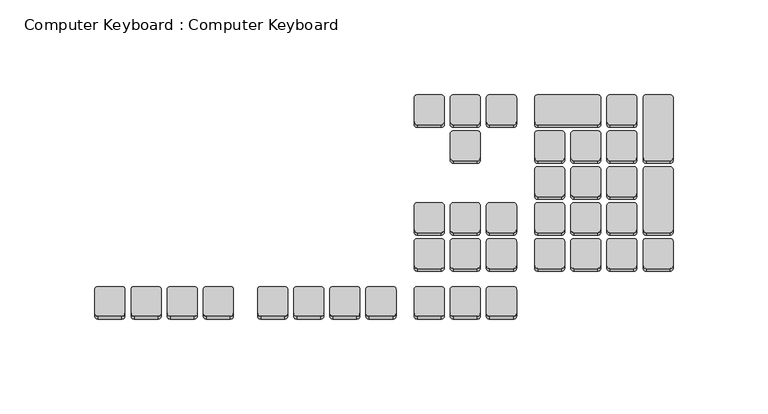
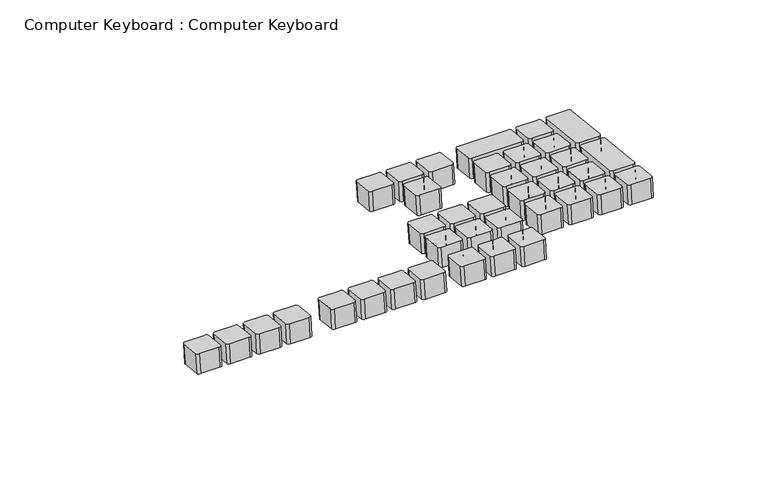
"""IFC4 building model written with IfcOpenShell, lengths in millimetres: proxy geometry, Computer Keyboard : Computer Keyboard."""

from ifc_helpers import new_model, si_unit, point, frame, frame_2d, origin, place, context, project, spatial, polyline, circle_curve, trimmed, segment, composite_curve, outline, extrude, source, transform, mapped, element, save


def computer_keyboard_computer_keyboard_a8260d69(model_context):
    return source(origin(), model_context, "Body", "SweptSolid", [
        extrude(outline(composite_curve([segment(polyline([(-1.5874999, 1.5875), (-1.5874999, 14.2875)]), True, "CONTINUOUS"), segment(trimmed(circle_curve(frame_2d((0.0, 14.2875)), 1.5875), [point((-1.5874999, 14.2875))], [point((0.0, 15.875))], False, "CARTESIAN"), True, "CONTINUOUS"), segment(polyline([(0.0, 15.875), (12.7, 15.875)]), True, "CONTINUOUS"), segment(trimmed(circle_curve(frame_2d((12.7, 14.2875)), 1.5875), [point((12.7, 15.875))], [point((14.2875001, 14.2875))], False, "CARTESIAN"), True, "CONTINUOUS"), segment(polyline([(14.2875001, 14.2875), (14.2875001, 1.5875)]), True, "CONTINUOUS"), segment(trimmed(circle_curve(frame_2d((12.7, 1.5875)), 1.5875), [point((14.2875001, 1.5875))], [point((12.7, 0.0))], False, "CARTESIAN"), True, "CONTINUOUS"), segment(polyline([(12.7, 0.0), (0.0, 0.0)]), True, "CONTINUOUS"), segment(trimmed(circle_curve(frame_2d((0.0, 1.5875)), 1.5875), [point((0.0, 0.0))], [point((-1.5874999, 1.5875))], False, "CARTESIAN"), True, "CONTINUOUS")], self_intersect=False)), frame((57.7625, 328.0834043, 582.7832916), z_axis=(0.0, 0.10653312363427676, 0.9943091539198078), x_axis=(0.0, 0.9943091539198078, -0.10653312363427676)), (0.0, 0.0, 1.0), 12.7),
        extrude(outline(composite_curve([segment(polyline([(-1.5874999, 1.5875), (-1.5874999, 33.3375)]), True, "CONTINUOUS"), segment(trimmed(circle_curve(frame_2d((0.0, 33.3375)), 1.5875), [point((-1.5874999, 33.3375))], [point((0.0, 34.925))], False, "CARTESIAN"), True, "CONTINUOUS"), segment(polyline([(0.0, 34.925), (12.7, 34.925)]), True, "CONTINUOUS"), segment(trimmed(circle_curve(frame_2d((12.7, 33.3375)), 1.5875), [point((12.7, 34.925))], [point((14.2875001, 33.3375))], False, "CARTESIAN"), True, "CONTINUOUS"), segment(polyline([(14.2875001, 33.3375), (14.2875001, 1.5875)]), True, "CONTINUOUS"), segment(trimmed(circle_curve(frame_2d((12.7, 1.5875)), 1.5875), [point((14.2875001, 1.5875))], [point((12.7, 0.0))], False, "CARTESIAN"), True, "CONTINUOUS"), segment(polyline([(12.7, 0.0), (0.0, 0.0)]), True, "CONTINUOUS"), segment(trimmed(circle_curve(frame_2d((0.0, 1.5875)), 1.5875), [point((0.0, 0.0))], [point((-1.5874999, 1.5875))], False, "CARTESIAN"), True, "CONTINUOUS")], self_intersect=False)), frame((38.7125, 328.0834043, 582.7832916), z_axis=(0.0, 0.10653312363427676, 0.9943091539198078), x_axis=(0.0, 0.9943091539198078, -0.10653312363427676)), (0.0, 0.0, 1.0), 12.7),
        extrude(outline(composite_curve([segment(polyline([(-1.5875, 1.5875), (-1.5875, 14.2875)]), True, "CONTINUOUS"), segment(trimmed(circle_curve(frame_2d((0.0, 14.2875)), 1.5875), [point((-1.5875, 14.2875))], [point((0.0, 15.875))], False, "CARTESIAN"), True, "CONTINUOUS"), segment(polyline([(0.0, 15.875), (31.75, 15.875)]), True, "CONTINUOUS"), segment(trimmed(circle_curve(frame_2d((31.75, 14.2875)), 1.5875), [point((31.75, 15.875))], [point((33.3375, 14.2875))], False, "CARTESIAN"), True, "CONTINUOUS"), segment(polyline([(33.3375, 14.2875), (33.3375, 1.5875)]), True, "CONTINUOUS"), segment(trimmed(circle_curve(frame_2d((31.75, 1.5875)), 1.5875), [point((33.3375, 1.5875))], [point((31.75, 0.0))], False, "CARTESIAN"), True, "CONTINUOUS"), segment(polyline([(31.75, 0.0), (0.0, 0.0)]), True, "CONTINUOUS"), segment(trimmed(circle_curve(frame_2d((0.0, 1.5875)), 1.5875), [point((0.0, 0.0))], [point((-1.5875, 1.5875))], False, "CARTESIAN"), True, "CONTINUOUS")], self_intersect=False)), frame((76.8125, 309.124904, 584.8145594), z_axis=(0.0, 0.10653312363427676, 0.9943091539198078), x_axis=(0.0, 0.9943091539198078, -0.10653312363427676)), (0.0, 0.0, 1.0), 12.7),
        extrude(outline(composite_curve([segment(polyline([(-1.5875, 1.5875), (-1.5875, 14.2875)]), True, "CONTINUOUS"), segment(trimmed(circle_curve(frame_2d((0.0, 14.2875)), 1.5875), [point((-1.5875, 14.2875))], [point((0.0, 15.875))], False, "CARTESIAN"), True, "CONTINUOUS"), segment(polyline([(0.0, 15.875), (12.6999999, 15.875)]), True, "CONTINUOUS"), segment(trimmed(circle_curve(frame_2d((12.6999999, 14.2875)), 1.5875), [point((12.6999999, 15.875))], [point((14.2875, 14.2875))], False, "CARTESIAN"), True, "CONTINUOUS"), segment(polyline([(14.2875, 14.2875), (14.2875, 1.5875)]), True, "CONTINUOUS"), segment(trimmed(circle_curve(frame_2d((12.6999999, 1.5875)), 1.5875), [point((14.2875, 1.5875))], [point((12.6999999, 0.0))], False, "CARTESIAN"), True, "CONTINUOUS"), segment(polyline([(12.6999999, 0.0), (0.0, 0.0)]), True, "CONTINUOUS"), segment(trimmed(circle_curve(frame_2d((0.0, 1.5875)), 1.5875), [point((0.0, 0.0))], [point((-1.5875, 1.5875))], False, "CARTESIAN"), True, "CONTINUOUS")], self_intersect=False)), frame((57.7625, 309.141815, 584.8127476), z_axis=(0.0, 0.10653312363427676, 0.9943091539198078), x_axis=(0.0, 0.9943091539198078, -0.10653312363427676)), (0.0, 0.0, 1.0), 12.7),
        extrude(outline(composite_curve([segment(polyline([(-1.5875, 1.5875), (-1.5875, 14.2875)]), True, "CONTINUOUS"), segment(trimmed(circle_curve(frame_2d((0.0, 14.2875)), 1.5875), [point((-1.5875, 14.2875))], [point((0.0, 15.875))], False, "CARTESIAN"), True, "CONTINUOUS"), segment(polyline([(0.0, 15.875), (12.6999999, 15.875)]), True, "CONTINUOUS"), segment(trimmed(circle_curve(frame_2d((12.6999999, 14.2875)), 1.5875), [point((12.6999999, 15.875))], [point((14.2875, 14.2875))], False, "CARTESIAN"), True, "CONTINUOUS"), segment(polyline([(14.2875, 14.2875), (14.2875, 1.5875)]), True, "CONTINUOUS"), segment(trimmed(circle_curve(frame_2d((12.6999999, 1.5875)), 1.5875), [point((14.2875, 1.5875))], [point((12.6999999, 0.0))], False, "CARTESIAN"), True, "CONTINUOUS"), segment(polyline([(12.6999999, 0.0), (0.0, 0.0)]), True, "CONTINUOUS"), segment(trimmed(circle_curve(frame_2d((0.0, 1.5875)), 1.5875), [point((0.0, 0.0))], [point((-1.5875, 1.5875))], False, "CARTESIAN"), True, "CONTINUOUS")], self_intersect=False)), frame((38.7125, 309.141815, 584.8127476), z_axis=(0.0, 0.10653312363427676, 0.9943091539198078), x_axis=(0.0, 0.9943091539198078, -0.10653312363427676)), (0.0, 0.0, 1.0), 12.7),
        extrude(outline(composite_curve([segment(polyline([(-1.5875, 1.5875), (-1.5875, 14.2875)]), True, "CONTINUOUS"), segment(trimmed(circle_curve(frame_2d((0.0, 14.2875)), 1.5875), [point((-1.5875, 14.2875))], [point((0.0, 15.875))], False, "CARTESIAN"), True, "CONTINUOUS"), segment(polyline([(0.0, 15.875), (12.6999999, 15.875)]), True, "CONTINUOUS"), segment(trimmed(circle_curve(frame_2d((12.6999999, 14.2875)), 1.5875), [point((12.6999999, 15.875))], [point((14.2875, 14.2875))], False, "CARTESIAN"), True, "CONTINUOUS"), segment(polyline([(14.2875, 14.2875), (14.2875, 1.5875)]), True, "CONTINUOUS"), segment(trimmed(circle_curve(frame_2d((12.6999999, 1.5875)), 1.5875), [point((14.2875, 1.5875))], [point((12.6999999, 0.0))], False, "CARTESIAN"), True, "CONTINUOUS"), segment(polyline([(12.6999999, 0.0), (0.0, 0.0)]), True, "CONTINUOUS"), segment(trimmed(circle_curve(frame_2d((0.0, 1.5875)), 1.5875), [point((0.0, 0.0))], [point((-1.5875, 1.5875))], False, "CARTESIAN"), True, "CONTINUOUS")], self_intersect=False)), frame((19.6625, 309.141815, 584.8127476), z_axis=(0.0, 0.10653312363427676, 0.9943091539198078), x_axis=(0.0, 0.9943091539198078, -0.10653312363427676)), (0.0, 0.0, 1.0), 12.7),
        extrude(outline(composite_curve([segment(polyline([(-1.5875, 1.5875), (-1.5875, 14.2875)]), True, "CONTINUOUS"), segment(trimmed(circle_curve(frame_2d((0.0, 14.2875)), 1.5875), [point((-1.5875, 14.2875))], [point((0.0, 15.875))], False, "CARTESIAN"), True, "CONTINUOUS"), segment(polyline([(0.0, 15.875), (12.6999999, 15.875)]), True, "CONTINUOUS"), segment(trimmed(circle_curve(frame_2d((12.6999999, 14.2875)), 1.5875), [point((12.6999999, 15.875))], [point((14.2875, 14.2875))], False, "CARTESIAN"), True, "CONTINUOUS"), segment(polyline([(14.2875, 14.2875), (14.2875, 1.5875)]), True, "CONTINUOUS"), segment(trimmed(circle_curve(frame_2d((12.6999999, 1.5875)), 1.5875), [point((14.2875, 1.5875))], [point((12.6999999, 0.0))], False, "CARTESIAN"), True, "CONTINUOUS"), segment(polyline([(12.6999999, 0.0), (0.0, 0.0)]), True, "CONTINUOUS"), segment(trimmed(circle_curve(frame_2d((0.0, 1.5875)), 1.5875), [point((0.0, 0.0))], [point((-1.5875, 1.5875))], False, "CARTESIAN"), True, "CONTINUOUS")], self_intersect=False)), frame((57.7625, 290.2002256, 586.8422036), z_axis=(0.0, 0.10653312363427676, 0.9943091539198078), x_axis=(0.0, 0.9943091539198078, -0.10653312363427676)), (0.0, 0.0, 1.0), 12.7),
        extrude(outline(composite_curve([segment(polyline([(-1.5875, 1.5875), (-1.5875, 14.2875)]), True, "CONTINUOUS"), segment(trimmed(circle_curve(frame_2d((0.0, 14.2875)), 1.5875), [point((-1.5875, 14.2875))], [point((0.0, 15.875))], False, "CARTESIAN"), True, "CONTINUOUS"), segment(polyline([(0.0, 15.875), (12.6999999, 15.875)]), True, "CONTINUOUS"), segment(trimmed(circle_curve(frame_2d((12.6999999, 14.2875)), 1.5875), [point((12.6999999, 15.875))], [point((14.2875, 14.2875))], False, "CARTESIAN"), True, "CONTINUOUS"), segment(polyline([(14.2875, 14.2875), (14.2875, 1.5875)]), True, "CONTINUOUS"), segment(trimmed(circle_curve(frame_2d((12.6999999, 1.5875)), 1.5875), [point((14.2875, 1.5875))], [point((12.6999999, 0.0))], False, "CARTESIAN"), True, "CONTINUOUS"), segment(polyline([(12.6999999, 0.0), (0.0, 0.0)]), True, "CONTINUOUS"), segment(trimmed(circle_curve(frame_2d((0.0, 1.5875)), 1.5875), [point((0.0, 0.0))], [point((-1.5875, 1.5875))], False, "CARTESIAN"), True, "CONTINUOUS")], self_intersect=False)), frame((38.7125, 290.2002256, 586.8422036), z_axis=(0.0, 0.10653312363427676, 0.9943091539198078), x_axis=(0.0, 0.9943091539198078, -0.10653312363427676)), (0.0, 0.0, 1.0), 12.7),
        extrude(outline(composite_curve([segment(polyline([(-1.5875, 1.5875), (-1.5875, 14.2875)]), True, "CONTINUOUS"), segment(trimmed(circle_curve(frame_2d((0.0, 14.2875)), 1.5875), [point((-1.5875, 14.2875))], [point((0.0, 15.875))], False, "CARTESIAN"), True, "CONTINUOUS"), segment(polyline([(0.0, 15.875), (12.6999999, 15.875)]), True, "CONTINUOUS"), segment(trimmed(circle_curve(frame_2d((12.6999999, 14.2875)), 1.5875), [point((12.6999999, 15.875))], [point((14.2875, 14.2875))], False, "CARTESIAN"), True, "CONTINUOUS"), segment(polyline([(14.2875, 14.2875), (14.2875, 1.5875)]), True, "CONTINUOUS"), segment(trimmed(circle_curve(frame_2d((12.6999999, 1.5875)), 1.5875), [point((14.2875, 1.5875))], [point((12.6999999, 0.0))], False, "CARTESIAN"), True, "CONTINUOUS"), segment(polyline([(12.6999999, 0.0), (0.0, 0.0)]), True, "CONTINUOUS"), segment(trimmed(circle_curve(frame_2d((0.0, 1.5875)), 1.5875), [point((0.0, 0.0))], [point((-1.5875, 1.5875))], False, "CARTESIAN"), True, "CONTINUOUS")], self_intersect=False)), frame((19.6625, 290.2002256, 586.8422036), z_axis=(0.0, 0.10653312363427676, 0.9943091539198078), x_axis=(0.0, 0.9943091539198078, -0.10653312363427676)), (0.0, 0.0, 1.0), 12.7),
        extrude(outline(composite_curve([segment(polyline([(-1.5875, 1.5875), (-1.5875, 14.2875)]), True, "CONTINUOUS"), segment(trimmed(circle_curve(frame_2d((0.0, 14.2875)), 1.5875), [point((-1.5875, 14.2875))], [point((0.0, 15.875))], False, "CARTESIAN"), True, "CONTINUOUS"), segment(polyline([(0.0, 15.875), (31.75, 15.875)]), True, "CONTINUOUS"), segment(trimmed(circle_curve(frame_2d((31.75, 14.2875)), 1.5875), [point((31.75, 15.875))], [point((33.3375, 14.2875))], False, "CARTESIAN"), True, "CONTINUOUS"), segment(polyline([(33.3375, 14.2875), (33.3375, 1.5875)]), True, "CONTINUOUS"), segment(trimmed(circle_curve(frame_2d((31.75, 1.5875)), 1.5875), [point((33.3375, 1.5875))], [point((31.75, 0.0))], False, "CARTESIAN"), True, "CONTINUOUS"), segment(polyline([(31.75, 0.0), (0.0, 0.0)]), True, "CONTINUOUS"), segment(trimmed(circle_curve(frame_2d((0.0, 1.5875)), 1.5875), [point((0.0, 0.0))], [point((-1.5875, 1.5875))], False, "CARTESIAN"), True, "CONTINUOUS")], self_intersect=False)), frame((76.8125, 271.2586362, 588.8716596), z_axis=(0.0, 0.10653312363427676, 0.9943091539198078), x_axis=(0.0, 0.9943091539198078, -0.10653312363427676)), (0.0, 0.0, 1.0), 12.7),
        extrude(outline(composite_curve([segment(polyline([(-1.5875, 1.5875), (-1.5875, 14.2875)]), True, "CONTINUOUS"), segment(trimmed(circle_curve(frame_2d((0.0, 14.2875)), 1.5875), [point((-1.5875, 14.2875))], [point((0.0, 15.875))], False, "CARTESIAN"), True, "CONTINUOUS"), segment(polyline([(0.0, 15.875), (12.7, 15.875)]), True, "CONTINUOUS"), segment(trimmed(circle_curve(frame_2d((12.7, 14.2875)), 1.5875), [point((12.7, 15.875))], [point((14.2875, 14.2875))], False, "CARTESIAN"), True, "CONTINUOUS"), segment(polyline([(14.2875, 14.2875), (14.2875, 1.5875)]), True, "CONTINUOUS"), segment(trimmed(circle_curve(frame_2d((12.7, 1.5875)), 1.5875), [point((14.2875, 1.5875))], [point((12.7, 0.0))], False, "CARTESIAN"), True, "CONTINUOUS"), segment(polyline([(12.7, 0.0), (0.0, 0.0)]), True, "CONTINUOUS"), segment(trimmed(circle_curve(frame_2d((0.0, 1.5875)), 1.5875), [point((0.0, 0.0))], [point((-1.5875, 1.5875))], False, "CARTESIAN"), True, "CONTINUOUS")], self_intersect=False)), frame((76.8125, 252.3170468, 590.9011156), z_axis=(0.0, 0.10653312363427676, 0.9943091539198078), x_axis=(0.0, 0.9943091539198078, -0.10653312363427676)), (0.0, 0.0, 1.0), 12.7),
        extrude(outline(composite_curve([segment(polyline([(-1.5875, 1.5875), (-1.5875, 14.2875)]), True, "CONTINUOUS"), segment(trimmed(circle_curve(frame_2d((0.0, 14.2875)), 1.5875), [point((-1.5875, 14.2875))], [point((0.0, 15.875))], False, "CARTESIAN"), True, "CONTINUOUS"), segment(polyline([(0.0, 15.875), (12.6999999, 15.875)]), True, "CONTINUOUS"), segment(trimmed(circle_curve(frame_2d((12.6999999, 14.2875)), 1.5875), [point((12.6999999, 15.875))], [point((14.2875, 14.2875))], False, "CARTESIAN"), True, "CONTINUOUS"), segment(polyline([(14.2875, 14.2875), (14.2875, 1.5875)]), True, "CONTINUOUS"), segment(trimmed(circle_curve(frame_2d((12.6999999, 1.5875)), 1.5875), [point((14.2875, 1.5875))], [point((12.6999999, 0.0))], False, "CARTESIAN"), True, "CONTINUOUS"), segment(polyline([(12.6999999, 0.0), (0.0, 0.0)]), True, "CONTINUOUS"), segment(trimmed(circle_curve(frame_2d((0.0, 1.5875)), 1.5875), [point((0.0, 0.0))], [point((-1.5875, 1.5875))], False, "CARTESIAN"), True, "CONTINUOUS")], self_intersect=False)), frame((57.7625, 271.2586362, 588.8716596), z_axis=(0.0, 0.10653312363427676, 0.9943091539198078), x_axis=(0.0, 0.9943091539198078, -0.10653312363427676)), (0.0, 0.0, 1.0), 12.7),
        extrude(outline(composite_curve([segment(polyline([(-1.5875, 1.5875), (-1.5875, 14.2875)]), True, "CONTINUOUS"), segment(trimmed(circle_curve(frame_2d((0.0, 14.2875)), 1.5875), [point((-1.5875, 14.2875))], [point((0.0, 15.875))], False, "CARTESIAN"), True, "CONTINUOUS"), segment(polyline([(0.0, 15.875), (12.6999999, 15.875)]), True, "CONTINUOUS"), segment(trimmed(circle_curve(frame_2d((12.6999999, 14.2875)), 1.5875), [point((12.6999999, 15.875))], [point((14.2875, 14.2875))], False, "CARTESIAN"), True, "CONTINUOUS"), segment(polyline([(14.2875, 14.2875), (14.2875, 1.5875)]), True, "CONTINUOUS"), segment(trimmed(circle_curve(frame_2d((12.6999999, 1.5875)), 1.5875), [point((14.2875, 1.5875))], [point((12.6999999, 0.0))], False, "CARTESIAN"), True, "CONTINUOUS"), segment(polyline([(12.6999999, 0.0), (0.0, 0.0)]), True, "CONTINUOUS"), segment(trimmed(circle_curve(frame_2d((0.0, 1.5875)), 1.5875), [point((0.0, 0.0))], [point((-1.5875, 1.5875))], False, "CARTESIAN"), True, "CONTINUOUS")], self_intersect=False)), frame((38.7125, 271.2586362, 588.8716596), z_axis=(0.0, 0.10653312363427676, 0.9943091539198078), x_axis=(0.0, 0.9943091539198078, -0.10653312363427676)), (0.0, 0.0, 1.0), 12.7),
        extrude(outline(composite_curve([segment(polyline([(-1.5875, 1.5875), (-1.5875, 14.2875)]), True, "CONTINUOUS"), segment(trimmed(circle_curve(frame_2d((0.0, 14.2875)), 1.5875), [point((-1.5875, 14.2875))], [point((0.0, 15.875))], False, "CARTESIAN"), True, "CONTINUOUS"), segment(polyline([(0.0, 15.875), (12.6999999, 15.875)]), True, "CONTINUOUS"), segment(trimmed(circle_curve(frame_2d((12.6999999, 14.2875)), 1.5875), [point((12.6999999, 15.875))], [point((14.2875, 14.2875))], False, "CARTESIAN"), True, "CONTINUOUS"), segment(polyline([(14.2875, 14.2875), (14.2875, 1.5875)]), True, "CONTINUOUS"), segment(trimmed(circle_curve(frame_2d((12.6999999, 1.5875)), 1.5875), [point((14.2875, 1.5875))], [point((12.6999999, 0.0))], False, "CARTESIAN"), True, "CONTINUOUS"), segment(polyline([(12.6999999, 0.0), (0.0, 0.0)]), True, "CONTINUOUS"), segment(trimmed(circle_curve(frame_2d((0.0, 1.5875)), 1.5875), [point((0.0, 0.0))], [point((-1.5875, 1.5875))], False, "CARTESIAN"), True, "CONTINUOUS")], self_intersect=False)), frame((19.6625, 271.2586362, 588.8716596), z_axis=(0.0, 0.10653312363427676, 0.9943091539198078), x_axis=(0.0, 0.9943091539198078, -0.10653312363427676)), (0.0, 0.0, 1.0), 12.7),
        extrude(outline(composite_curve([segment(polyline([(-1.5875, 1.5875), (-1.5875, 14.2875)]), True, "CONTINUOUS"), segment(trimmed(circle_curve(frame_2d((0.0, 14.2875)), 1.5875), [point((-1.5875, 14.2875))], [point((0.0, 15.875))], False, "CARTESIAN"), True, "CONTINUOUS"), segment(polyline([(0.0, 15.875), (12.7, 15.875)]), True, "CONTINUOUS"), segment(trimmed(circle_curve(frame_2d((12.7, 14.2875)), 1.5875), [point((12.7, 15.875))], [point((14.2875, 14.2875))], False, "CARTESIAN"), True, "CONTINUOUS"), segment(polyline([(14.2875, 14.2875), (14.2875, 1.5875)]), True, "CONTINUOUS"), segment(trimmed(circle_curve(frame_2d((12.7, 1.5875)), 1.5875), [point((14.2875, 1.5875))], [point((12.7, 0.0))], False, "CARTESIAN"), True, "CONTINUOUS"), segment(polyline([(12.7, 0.0), (0.0, 0.0)]), True, "CONTINUOUS"), segment(trimmed(circle_curve(frame_2d((0.0, 1.5875)), 1.5875), [point((0.0, 0.0))], [point((-1.5875, 1.5875))], False, "CARTESIAN"), True, "CONTINUOUS")], self_intersect=False)), frame((57.7625, 252.3170468, 590.9011156), z_axis=(0.0, 0.10653312363427676, 0.9943091539198078), x_axis=(0.0, 0.9943091539198078, -0.10653312363427676)), (0.0, 0.0, 1.0), 12.7),
        extrude(outline(composite_curve([segment(polyline([(-1.5875, 1.5875), (-1.5875, 14.2875)]), True, "CONTINUOUS"), segment(trimmed(circle_curve(frame_2d((0.0, 14.2875)), 1.5875), [point((-1.5875, 14.2875))], [point((0.0, 15.875))], False, "CARTESIAN"), True, "CONTINUOUS"), segment(polyline([(0.0, 15.875), (12.7, 15.875)]), True, "CONTINUOUS"), segment(trimmed(circle_curve(frame_2d((12.7, 14.2875)), 1.5875), [point((12.7, 15.875))], [point((14.2875, 14.2875))], False, "CARTESIAN"), True, "CONTINUOUS"), segment(polyline([(14.2875, 14.2875), (14.2875, 1.5875)]), True, "CONTINUOUS"), segment(trimmed(circle_curve(frame_2d((12.7, 1.5875)), 1.5875), [point((14.2875, 1.5875))], [point((12.7, 0.0))], False, "CARTESIAN"), True, "CONTINUOUS"), segment(polyline([(12.7, 0.0), (0.0, 0.0)]), True, "CONTINUOUS"), segment(trimmed(circle_curve(frame_2d((0.0, 1.5875)), 1.5875), [point((0.0, 0.0))], [point((-1.5875, 1.5875))], False, "CARTESIAN"), True, "CONTINUOUS")], self_intersect=False)), frame((38.7125, 252.3170468, 590.9011156), z_axis=(0.0, 0.10653312363427676, 0.9943091539198078), x_axis=(0.0, 0.9943091539198078, -0.10653312363427676)), (0.0, 0.0, 1.0), 12.7),
        extrude(outline(composite_curve([segment(polyline([(-1.5875, 1.5875), (-1.5875, 14.2875)]), True, "CONTINUOUS"), segment(trimmed(circle_curve(frame_2d((0.0, 14.2875)), 1.5875), [point((-1.5875, 14.2875))], [point((0.0, 15.875))], False, "CARTESIAN"), True, "CONTINUOUS"), segment(polyline([(0.0, 15.875), (12.7, 15.875)]), True, "CONTINUOUS"), segment(trimmed(circle_curve(frame_2d((12.7, 14.2875)), 1.5875), [point((12.7, 15.875))], [point((14.2875, 14.2875))], False, "CARTESIAN"), True, "CONTINUOUS"), segment(polyline([(14.2875, 14.2875), (14.2875, 1.5875)]), True, "CONTINUOUS"), segment(trimmed(circle_curve(frame_2d((12.7, 1.5875)), 1.5875), [point((14.2875, 1.5875))], [point((12.7, 0.0))], False, "CARTESIAN"), True, "CONTINUOUS"), segment(polyline([(12.7, 0.0), (0.0, 0.0)]), True, "CONTINUOUS"), segment(trimmed(circle_curve(frame_2d((0.0, 1.5875)), 1.5875), [point((0.0, 0.0))], [point((-1.5875, 1.5875))], False, "CARTESIAN"), True, "CONTINUOUS")], self_intersect=False)), frame((19.6625, 252.3170468, 590.9011156), z_axis=(0.0, 0.10653312363427676, 0.9943091539198078), x_axis=(0.0, 0.9943091539198078, -0.10653312363427676)), (0.0, 0.0, 1.0), 12.7),
        extrude(outline(composite_curve([segment(polyline([(-1.5874999, 1.5875), (-1.5874999, 14.2875)]), True, "CONTINUOUS"), segment(trimmed(circle_curve(frame_2d((0.0, 14.2875)), 1.5875), [point((-1.5874999, 14.2875))], [point((0.0, 15.875))], False, "CARTESIAN"), True, "CONTINUOUS"), segment(polyline([(0.0, 15.875), (12.7, 15.875)]), True, "CONTINUOUS"), segment(trimmed(circle_curve(frame_2d((12.7, 14.2875)), 1.5875), [point((12.7, 15.875))], [point((14.2875001, 14.2875))], False, "CARTESIAN"), True, "CONTINUOUS"), segment(polyline([(14.2875001, 14.2875), (14.2875001, 1.5875)]), True, "CONTINUOUS"), segment(trimmed(circle_curve(frame_2d((12.7, 1.5875)), 1.5875), [point((14.2875001, 1.5875))], [point((12.7, 0.0))], False, "CARTESIAN"), True, "CONTINUOUS"), segment(polyline([(12.7, 0.0), (0.0, 0.0)]), True, "CONTINUOUS"), segment(trimmed(circle_curve(frame_2d((0.0, 1.5875)), 1.5875), [point((0.0, 0.0))], [point((-1.5874999, 1.5875))], False, "CARTESIAN"), True, "CONTINUOUS")], self_intersect=False)), frame((-5.7375, 328.0834043, 582.7832916), z_axis=(0.0, 0.10653312363427676, 0.9943091539198078), x_axis=(0.0, 0.9943091539198078, -0.10653312363427676)), (0.0, 0.0, 1.0), 12.7),
        extrude(outline(composite_curve([segment(polyline([(-1.5874999, 1.5875), (-1.5874999, 14.2875)]), True, "CONTINUOUS"), segment(trimmed(circle_curve(frame_2d((0.0, 14.2875)), 1.5875), [point((-1.5874999, 14.2875))], [point((0.0, 15.875))], False, "CARTESIAN"), True, "CONTINUOUS"), segment(polyline([(0.0, 15.875), (12.7, 15.875)]), True, "CONTINUOUS"), segment(trimmed(circle_curve(frame_2d((12.7, 14.2875)), 1.5875), [point((12.7, 15.875))], [point((14.2875001, 14.2875))], False, "CARTESIAN"), True, "CONTINUOUS"), segment(polyline([(14.2875001, 14.2875), (14.2875001, 1.5875)]), True, "CONTINUOUS"), segment(trimmed(circle_curve(frame_2d((12.7, 1.5875)), 1.5875), [point((14.2875001, 1.5875))], [point((12.7, 0.0))], False, "CARTESIAN"), True, "CONTINUOUS"), segment(polyline([(12.7, 0.0), (0.0, 0.0)]), True, "CONTINUOUS"), segment(trimmed(circle_curve(frame_2d((0.0, 1.5875)), 1.5875), [point((0.0, 0.0))], [point((-1.5874999, 1.5875))], False, "CARTESIAN"), True, "CONTINUOUS")], self_intersect=False)), frame((-24.7875, 328.0834043, 582.7832916), z_axis=(0.0, 0.10653312363427676, 0.9943091539198078), x_axis=(0.0, 0.9943091539198078, -0.10653312363427676)), (0.0, 0.0, 1.0), 12.7),
        extrude(outline(composite_curve([segment(polyline([(-1.5874999, 1.5875), (-1.5874999, 14.2875)]), True, "CONTINUOUS"), segment(trimmed(circle_curve(frame_2d((0.0, 14.2875)), 1.5875), [point((-1.5874999, 14.2875))], [point((0.0, 15.875))], False, "CARTESIAN"), True, "CONTINUOUS"), segment(polyline([(0.0, 15.875), (12.7, 15.875)]), True, "CONTINUOUS"), segment(trimmed(circle_curve(frame_2d((12.7, 14.2875)), 1.5875), [point((12.7, 15.875))], [point((14.2875001, 14.2875))], False, "CARTESIAN"), True, "CONTINUOUS"), segment(polyline([(14.2875001, 14.2875), (14.2875001, 1.5875)]), True, "CONTINUOUS"), segment(trimmed(circle_curve(frame_2d((12.7, 1.5875)), 1.5875), [point((14.2875001, 1.5875))], [point((12.7, 0.0))], False, "CARTESIAN"), True, "CONTINUOUS"), segment(polyline([(12.7, 0.0), (0.0, 0.0)]), True, "CONTINUOUS"), segment(trimmed(circle_curve(frame_2d((0.0, 1.5875)), 1.5875), [point((0.0, 0.0))], [point((-1.5874999, 1.5875))], False, "CARTESIAN"), True, "CONTINUOUS")], self_intersect=False)), frame((-43.8375, 328.0834043, 582.7832916), z_axis=(0.0, 0.10653312363427676, 0.9943091539198078), x_axis=(0.0, 0.9943091539198078, -0.10653312363427676)), (0.0, 0.0, 1.0), 12.7),
        extrude(outline(composite_curve([segment(polyline([(-1.5875, 1.5875), (-1.5875, 14.2875)]), True, "CONTINUOUS"), segment(trimmed(circle_curve(frame_2d((0.0, 14.2875)), 1.5875), [point((-1.5875, 14.2875))], [point((0.0, 15.875))], False, "CARTESIAN"), True, "CONTINUOUS"), segment(polyline([(0.0, 15.875), (12.6999999, 15.875)]), True, "CONTINUOUS"), segment(trimmed(circle_curve(frame_2d((12.6999999, 14.2875)), 1.5875), [point((12.6999999, 15.875))], [point((14.2875, 14.2875))], False, "CARTESIAN"), True, "CONTINUOUS"), segment(polyline([(14.2875, 14.2875), (14.2875, 1.5875)]), True, "CONTINUOUS"), segment(trimmed(circle_curve(frame_2d((12.6999999, 1.5875)), 1.5875), [point((14.2875, 1.5875))], [point((12.6999999, 0.0))], False, "CARTESIAN"), True, "CONTINUOUS"), segment(polyline([(12.6999999, 0.0), (0.0, 0.0)]), True, "CONTINUOUS"), segment(trimmed(circle_curve(frame_2d((0.0, 1.5875)), 1.5875), [point((0.0, 0.0))], [point((-1.5875, 1.5875))], False, "CARTESIAN"), True, "CONTINUOUS")], self_intersect=False)), frame((-24.7875, 309.141815, 584.8127476), z_axis=(0.0, 0.10653312363427676, 0.9943091539198078), x_axis=(0.0, 0.9943091539198078, -0.10653312363427676)), (0.0, 0.0, 1.0), 12.7),
        extrude(outline(composite_curve([segment(polyline([(-1.5875, 1.5875), (-1.5875, 14.2875)]), True, "CONTINUOUS"), segment(trimmed(circle_curve(frame_2d((0.0, 14.2875)), 1.5875), [point((-1.5875, 14.2875))], [point((0.0, 15.875))], False, "CARTESIAN"), True, "CONTINUOUS"), segment(polyline([(0.0, 15.875), (12.6999999, 15.875)]), True, "CONTINUOUS"), segment(trimmed(circle_curve(frame_2d((12.6999999, 14.2875)), 1.5875), [point((12.6999999, 15.875))], [point((14.2875, 14.2875))], False, "CARTESIAN"), True, "CONTINUOUS"), segment(polyline([(14.2875, 14.2875), (14.2875, 1.5875)]), True, "CONTINUOUS"), segment(trimmed(circle_curve(frame_2d((12.6999999, 1.5875)), 1.5875), [point((14.2875, 1.5875))], [point((12.6999999, 0.0))], False, "CARTESIAN"), True, "CONTINUOUS"), segment(polyline([(12.6999999, 0.0), (0.0, 0.0)]), True, "CONTINUOUS"), segment(trimmed(circle_curve(frame_2d((0.0, 1.5875)), 1.5875), [point((0.0, 0.0))], [point((-1.5875, 1.5875))], False, "CARTESIAN"), True, "CONTINUOUS")], self_intersect=False)), frame((-5.7375, 271.2586362, 588.8716596), z_axis=(0.0, 0.10653312363427676, 0.9943091539198078), x_axis=(0.0, 0.9943091539198078, -0.10653312363427676)), (0.0, 0.0, 1.0), 12.7),
        extrude(outline(composite_curve([segment(polyline([(-1.5875, 1.5875), (-1.5875, 14.2875)]), True, "CONTINUOUS"), segment(trimmed(circle_curve(frame_2d((0.0, 14.2875)), 1.5875), [point((-1.5875, 14.2875))], [point((0.0, 15.875))], False, "CARTESIAN"), True, "CONTINUOUS"), segment(polyline([(0.0, 15.875), (12.6999999, 15.875)]), True, "CONTINUOUS"), segment(trimmed(circle_curve(frame_2d((12.6999999, 14.2875)), 1.5875), [point((12.6999999, 15.875))], [point((14.2875, 14.2875))], False, "CARTESIAN"), True, "CONTINUOUS"), segment(polyline([(14.2875, 14.2875), (14.2875, 1.5875)]), True, "CONTINUOUS"), segment(trimmed(circle_curve(frame_2d((12.6999999, 1.5875)), 1.5875), [point((14.2875, 1.5875))], [point((12.6999999, 0.0))], False, "CARTESIAN"), True, "CONTINUOUS"), segment(polyline([(12.6999999, 0.0), (0.0, 0.0)]), True, "CONTINUOUS"), segment(trimmed(circle_curve(frame_2d((0.0, 1.5875)), 1.5875), [point((0.0, 0.0))], [point((-1.5875, 1.5875))], False, "CARTESIAN"), True, "CONTINUOUS")], self_intersect=False)), frame((-24.7875, 271.2586362, 588.8716596), z_axis=(0.0, 0.10653312363427676, 0.9943091539198078), x_axis=(0.0, 0.9943091539198078, -0.10653312363427676)), (0.0, 0.0, 1.0), 12.7),
        extrude(outline(composite_curve([segment(polyline([(-1.5875, 1.5875), (-1.5875, 14.2875)]), True, "CONTINUOUS"), segment(trimmed(circle_curve(frame_2d((0.0, 14.2875)), 1.5875), [point((-1.5875, 14.2875))], [point((0.0, 15.875))], False, "CARTESIAN"), True, "CONTINUOUS"), segment(polyline([(0.0, 15.875), (12.6999999, 15.875)]), True, "CONTINUOUS"), segment(trimmed(circle_curve(frame_2d((12.6999999, 14.2875)), 1.5875), [point((12.6999999, 15.875))], [point((14.2875, 14.2875))], False, "CARTESIAN"), True, "CONTINUOUS"), segment(polyline([(14.2875, 14.2875), (14.2875, 1.5875)]), True, "CONTINUOUS"), segment(trimmed(circle_curve(frame_2d((12.6999999, 1.5875)), 1.5875), [point((14.2875, 1.5875))], [point((12.6999999, 0.0))], False, "CARTESIAN"), True, "CONTINUOUS"), segment(polyline([(12.6999999, 0.0), (0.0, 0.0)]), True, "CONTINUOUS"), segment(trimmed(circle_curve(frame_2d((0.0, 1.5875)), 1.5875), [point((0.0, 0.0))], [point((-1.5875, 1.5875))], False, "CARTESIAN"), True, "CONTINUOUS")], self_intersect=False)), frame((-43.8375, 271.2586362, 588.8716596), z_axis=(0.0, 0.10653312363427676, 0.9943091539198078), x_axis=(0.0, 0.9943091539198078, -0.10653312363427676)), (0.0, 0.0, 1.0), 12.7),
        extrude(outline(composite_curve([segment(polyline([(-1.5875, 1.5875), (-1.5875, 14.2875)]), True, "CONTINUOUS"), segment(trimmed(circle_curve(frame_2d((0.0, 14.2875)), 1.5875), [point((-1.5875, 14.2875))], [point((0.0, 15.875))], False, "CARTESIAN"), True, "CONTINUOUS"), segment(polyline([(0.0, 15.875), (12.7, 15.875)]), True, "CONTINUOUS"), segment(trimmed(circle_curve(frame_2d((12.7, 14.2875)), 1.5875), [point((12.7, 15.875))], [point((14.2875, 14.2875))], False, "CARTESIAN"), True, "CONTINUOUS"), segment(polyline([(14.2875, 14.2875), (14.2875, 1.5875)]), True, "CONTINUOUS"), segment(trimmed(circle_curve(frame_2d((12.7, 1.5875)), 1.5875), [point((14.2875, 1.5875))], [point((12.7, 0.0))], False, "CARTESIAN"), True, "CONTINUOUS"), segment(polyline([(12.7, 0.0), (0.0, 0.0)]), True, "CONTINUOUS"), segment(trimmed(circle_curve(frame_2d((0.0, 1.5875)), 1.5875), [point((0.0, 0.0))], [point((-1.5875, 1.5875))], False, "CARTESIAN"), True, "CONTINUOUS")], self_intersect=False)), frame((-5.7375, 252.3170468, 590.9011156), z_axis=(0.0, 0.10653312363427676, 0.9943091539198078), x_axis=(0.0, 0.9943091539198078, -0.10653312363427676)), (0.0, 0.0, 1.0), 12.7),
        extrude(outline(composite_curve([segment(polyline([(-1.5875, 1.5875), (-1.5875, 14.2875)]), True, "CONTINUOUS"), segment(trimmed(circle_curve(frame_2d((0.0, 14.2875)), 1.5875), [point((-1.5875, 14.2875))], [point((0.0, 15.875))], False, "CARTESIAN"), True, "CONTINUOUS"), segment(polyline([(0.0, 15.875), (12.7, 15.875)]), True, "CONTINUOUS"), segment(trimmed(circle_curve(frame_2d((12.7, 14.2875)), 1.5875), [point((12.7, 15.875))], [point((14.2875, 14.2875))], False, "CARTESIAN"), True, "CONTINUOUS"), segment(polyline([(14.2875, 14.2875), (14.2875, 1.5875)]), True, "CONTINUOUS"), segment(trimmed(circle_curve(frame_2d((12.7, 1.5875)), 1.5875), [point((14.2875, 1.5875))], [point((12.7, 0.0))], False, "CARTESIAN"), True, "CONTINUOUS"), segment(polyline([(12.7, 0.0), (0.0, 0.0)]), True, "CONTINUOUS"), segment(trimmed(circle_curve(frame_2d((0.0, 1.5875)), 1.5875), [point((0.0, 0.0))], [point((-1.5875, 1.5875))], False, "CARTESIAN"), True, "CONTINUOUS")], self_intersect=False)), frame((-24.7875, 252.3170468, 590.9011156), z_axis=(0.0, 0.10653312363427676, 0.9943091539198078), x_axis=(0.0, 0.9943091539198078, -0.10653312363427676)), (0.0, 0.0, 1.0), 12.7),
        extrude(outline(composite_curve([segment(polyline([(-1.5875, 1.5875), (-1.5875, 14.2875)]), True, "CONTINUOUS"), segment(trimmed(circle_curve(frame_2d((0.0, 14.2875)), 1.5875), [point((-1.5875, 14.2875))], [point((0.0, 15.875))], False, "CARTESIAN"), True, "CONTINUOUS"), segment(polyline([(0.0, 15.875), (12.7, 15.875)]), True, "CONTINUOUS"), segment(trimmed(circle_curve(frame_2d((12.7, 14.2875)), 1.5875), [point((12.7, 15.875))], [point((14.2875, 14.2875))], False, "CARTESIAN"), True, "CONTINUOUS"), segment(polyline([(14.2875, 14.2875), (14.2875, 1.5875)]), True, "CONTINUOUS"), segment(trimmed(circle_curve(frame_2d((12.7, 1.5875)), 1.5875), [point((14.2875, 1.5875))], [point((12.7, 0.0))], False, "CARTESIAN"), True, "CONTINUOUS"), segment(polyline([(12.7, 0.0), (0.0, 0.0)]), True, "CONTINUOUS"), segment(trimmed(circle_curve(frame_2d((0.0, 1.5875)), 1.5875), [point((0.0, 0.0))], [point((-1.5875, 1.5875))], False, "CARTESIAN"), True, "CONTINUOUS")], self_intersect=False)), frame((-43.8375, 252.3170468, 590.9011156), z_axis=(0.0, 0.10653312363427676, 0.9943091539198078), x_axis=(0.0, 0.9943091539198078, -0.10653312363427676)), (0.0, 0.0, 1.0), 12.7),
        extrude(outline(composite_curve([segment(polyline([(-1.5875, 1.5875), (-1.5875, 14.2875)]), True, "CONTINUOUS"), segment(trimmed(circle_curve(frame_2d((0.0, 14.2875)), 1.5875), [point((-1.5875, 14.2875))], [point((0.0, 15.875))], False, "CARTESIAN"), True, "CONTINUOUS"), segment(polyline([(0.0, 15.875), (12.7, 15.875)]), True, "CONTINUOUS"), segment(trimmed(circle_curve(frame_2d((12.7, 14.2875)), 1.5875), [point((12.7, 15.875))], [point((14.2875, 14.2875))], False, "CARTESIAN"), True, "CONTINUOUS"), segment(polyline([(14.2875, 14.2875), (14.2875, 1.5875)]), True, "CONTINUOUS"), segment(trimmed(circle_curve(frame_2d((12.7, 1.5875)), 1.5875), [point((14.2875, 1.5875))], [point((12.7, 0.0))], False, "CARTESIAN"), True, "CONTINUOUS"), segment(polyline([(12.7, 0.0), (0.0, 0.0)]), True, "CONTINUOUS"), segment(trimmed(circle_curve(frame_2d((0.0, 1.5875)), 1.5875), [point((0.0, 0.0))], [point((-1.5875, 1.5875))], False, "CARTESIAN"), True, "CONTINUOUS")], self_intersect=False)), frame((-5.7375, 227.0615943, 593.6070569), z_axis=(0.0, 0.10653312363427676, 0.9943091539198078), x_axis=(0.0, 0.9943091539198078, -0.10653312363427676)), (0.0, 0.0, 1.0), 12.7),
        extrude(outline(composite_curve([segment(polyline([(-1.5875, 1.5875), (-1.5875, 14.2875)]), True, "CONTINUOUS"), segment(trimmed(circle_curve(frame_2d((0.0, 14.2875)), 1.5875), [point((-1.5875, 14.2875))], [point((0.0, 15.875))], False, "CARTESIAN"), True, "CONTINUOUS"), segment(polyline([(0.0, 15.875), (12.7, 15.875)]), True, "CONTINUOUS"), segment(trimmed(circle_curve(frame_2d((12.7, 14.2875)), 1.5875), [point((12.7, 15.875))], [point((14.2875, 14.2875))], False, "CARTESIAN"), True, "CONTINUOUS"), segment(polyline([(14.2875, 14.2875), (14.2875, 1.5875)]), True, "CONTINUOUS"), segment(trimmed(circle_curve(frame_2d((12.7, 1.5875)), 1.5875), [point((14.2875, 1.5875))], [point((12.7, 0.0))], False, "CARTESIAN"), True, "CONTINUOUS"), segment(polyline([(12.7, 0.0), (0.0, 0.0)]), True, "CONTINUOUS"), segment(trimmed(circle_curve(frame_2d((0.0, 1.5875)), 1.5875), [point((0.0, 0.0))], [point((-1.5875, 1.5875))], False, "CARTESIAN"), True, "CONTINUOUS")], self_intersect=False)), frame((-24.7875, 227.0615943, 593.6070569), z_axis=(0.0, 0.10653312363427676, 0.9943091539198078), x_axis=(0.0, 0.9943091539198078, -0.10653312363427676)), (0.0, 0.0, 1.0), 12.7),
        extrude(outline(composite_curve([segment(polyline([(-1.5875, 1.5875), (-1.5875, 14.2875)]), True, "CONTINUOUS"), segment(trimmed(circle_curve(frame_2d((0.0, 14.2875)), 1.5875), [point((-1.5875, 14.2875))], [point((0.0, 15.875))], False, "CARTESIAN"), True, "CONTINUOUS"), segment(polyline([(0.0, 15.875), (12.7, 15.875)]), True, "CONTINUOUS"), segment(trimmed(circle_curve(frame_2d((12.7, 14.2875)), 1.5875), [point((12.7, 15.875))], [point((14.2875, 14.2875))], False, "CARTESIAN"), True, "CONTINUOUS"), segment(polyline([(14.2875, 14.2875), (14.2875, 1.5875)]), True, "CONTINUOUS"), segment(trimmed(circle_curve(frame_2d((12.7, 1.5875)), 1.5875), [point((14.2875, 1.5875))], [point((12.7, 0.0))], False, "CARTESIAN"), True, "CONTINUOUS"), segment(polyline([(12.7, 0.0), (0.0, 0.0)]), True, "CONTINUOUS"), segment(trimmed(circle_curve(frame_2d((0.0, 1.5875)), 1.5875), [point((0.0, 0.0))], [point((-1.5875, 1.5875))], False, "CARTESIAN"), True, "CONTINUOUS")], self_intersect=False)), frame((-43.8375, 227.0615943, 593.6070569), z_axis=(0.0, 0.10653312363427676, 0.9943091539198078), x_axis=(0.0, 0.9943091539198078, -0.10653312363427676)), (0.0, 0.0, 1.0), 12.7),
        extrude(outline(composite_curve([segment(polyline([(-1.5875, 1.5875), (-1.5875, 14.2875)]), True, "CONTINUOUS"), segment(trimmed(circle_curve(frame_2d((0.0, 14.2875)), 1.5875), [point((-1.5875, 14.2875))], [point((0.0, 15.875))], False, "CARTESIAN"), True, "CONTINUOUS"), segment(polyline([(0.0, 15.875), (12.7, 15.875)]), True, "CONTINUOUS"), segment(trimmed(circle_curve(frame_2d((12.7, 14.2875)), 1.5875), [point((12.7, 15.875))], [point((14.2875, 14.2875))], False, "CARTESIAN"), True, "CONTINUOUS"), segment(polyline([(14.2875, 14.2875), (14.2875, 1.5875)]), True, "CONTINUOUS"), segment(trimmed(circle_curve(frame_2d((12.7, 1.5875)), 1.5875), [point((14.2875, 1.5875))], [point((12.7, 0.0))], False, "CARTESIAN"), True, "CONTINUOUS"), segment(polyline([(12.7, 0.0), (0.0, 0.0)]), True, "CONTINUOUS"), segment(trimmed(circle_curve(frame_2d((0.0, 1.5875)), 1.5875), [point((0.0, 0.0))], [point((-1.5875, 1.5875))], False, "CARTESIAN"), True, "CONTINUOUS")], self_intersect=False)), frame((-69.2375, 227.0615943, 593.6070569), z_axis=(0.0, 0.10653312363427676, 0.9943091539198078), x_axis=(0.0, 0.9943091539198078, -0.10653312363427676)), (0.0, 0.0, 1.0), 12.7),
        extrude(outline(composite_curve([segment(polyline([(-1.5875, 1.5875), (-1.5875, 14.2875)]), True, "CONTINUOUS"), segment(trimmed(circle_curve(frame_2d((0.0, 14.2875)), 1.5875), [point((-1.5875, 14.2875))], [point((0.0, 15.875))], False, "CARTESIAN"), True, "CONTINUOUS"), segment(polyline([(0.0, 15.875), (12.7, 15.875)]), True, "CONTINUOUS"), segment(trimmed(circle_curve(frame_2d((12.7, 14.2875)), 1.5875), [point((12.7, 15.875))], [point((14.2875, 14.2875))], False, "CARTESIAN"), True, "CONTINUOUS"), segment(polyline([(14.2875, 14.2875), (14.2875, 1.5875)]), True, "CONTINUOUS"), segment(trimmed(circle_curve(frame_2d((12.7, 1.5875)), 1.5875), [point((14.2875, 1.5875))], [point((12.7, 0.0))], False, "CARTESIAN"), True, "CONTINUOUS"), segment(polyline([(12.7, 0.0), (0.0, 0.0)]), True, "CONTINUOUS"), segment(trimmed(circle_curve(frame_2d((0.0, 1.5875)), 1.5875), [point((0.0, 0.0))], [point((-1.5875, 1.5875))], False, "CARTESIAN"), True, "CONTINUOUS")], self_intersect=False)), frame((-88.2875, 227.0615943, 593.6070569), z_axis=(0.0, 0.10653312363427676, 0.9943091539198078), x_axis=(0.0, 0.9943091539198078, -0.10653312363427676)), (0.0, 0.0, 1.0), 12.7),
        extrude(outline(composite_curve([segment(polyline([(-1.5875, 1.5875), (-1.5875, 14.2875)]), True, "CONTINUOUS"), segment(trimmed(circle_curve(frame_2d((0.0, 14.2875)), 1.5875), [point((-1.5875, 14.2875))], [point((0.0, 15.875))], False, "CARTESIAN"), True, "CONTINUOUS"), segment(polyline([(0.0, 15.875), (12.7, 15.875)]), True, "CONTINUOUS"), segment(trimmed(circle_curve(frame_2d((12.7, 14.2875)), 1.5875), [point((12.7, 15.875))], [point((14.2875, 14.2875))], False, "CARTESIAN"), True, "CONTINUOUS"), segment(polyline([(14.2875, 14.2875), (14.2875, 1.5875)]), True, "CONTINUOUS"), segment(trimmed(circle_curve(frame_2d((12.7, 1.5875)), 1.5875), [point((14.2875, 1.5875))], [point((12.7, 0.0))], False, "CARTESIAN"), True, "CONTINUOUS"), segment(polyline([(12.7, 0.0), (0.0, 0.0)]), True, "CONTINUOUS"), segment(trimmed(circle_curve(frame_2d((0.0, 1.5875)), 1.5875), [point((0.0, 0.0))], [point((-1.5875, 1.5875))], False, "CARTESIAN"), True, "CONTINUOUS")], self_intersect=False)), frame((-107.3375, 227.0615943, 593.6070569), z_axis=(0.0, 0.10653312363427676, 0.9943091539198078), x_axis=(0.0, 0.9943091539198078, -0.10653312363427676)), (0.0, 0.0, 1.0), 12.7),
        extrude(outline(composite_curve([segment(polyline([(-1.5875, 1.5875), (-1.5875, 14.2875)]), True, "CONTINUOUS"), segment(trimmed(circle_curve(frame_2d((0.0, 14.2875)), 1.5875), [point((-1.5875, 14.2875))], [point((0.0, 15.875))], False, "CARTESIAN"), True, "CONTINUOUS"), segment(polyline([(0.0, 15.875), (12.7, 15.875)]), True, "CONTINUOUS"), segment(trimmed(circle_curve(frame_2d((12.7, 14.2875)), 1.5875), [point((12.7, 15.875))], [point((14.2875, 14.2875))], False, "CARTESIAN"), True, "CONTINUOUS"), segment(polyline([(14.2875, 14.2875), (14.2875, 1.5875)]), True, "CONTINUOUS"), segment(trimmed(circle_curve(frame_2d((12.7, 1.5875)), 1.5875), [point((14.2875, 1.5875))], [point((12.7, 0.0))], False, "CARTESIAN"), True, "CONTINUOUS"), segment(polyline([(12.7, 0.0), (0.0, 0.0)]), True, "CONTINUOUS"), segment(trimmed(circle_curve(frame_2d((0.0, 1.5875)), 1.5875), [point((0.0, 0.0))], [point((-1.5875, 1.5875))], False, "CARTESIAN"), True, "CONTINUOUS")], self_intersect=False)), frame((-126.3875, 227.0615943, 593.6070569), z_axis=(0.0, 0.10653312363427676, 0.9943091539198078), x_axis=(0.0, 0.9943091539198078, -0.10653312363427676)), (0.0, 0.0, 1.0), 12.7),
        extrude(outline(composite_curve([segment(polyline([(-1.5875, 1.5875), (-1.5875, 14.2875)]), True, "CONTINUOUS"), segment(trimmed(circle_curve(frame_2d((0.0, 14.2875)), 1.5875), [point((-1.5875, 14.2875))], [point((0.0, 15.875))], False, "CARTESIAN"), True, "CONTINUOUS"), segment(polyline([(0.0, 15.875), (12.7, 15.875)]), True, "CONTINUOUS"), segment(trimmed(circle_curve(frame_2d((12.7, 14.2875)), 1.5875), [point((12.7, 15.875))], [point((14.2875, 14.2875))], False, "CARTESIAN"), True, "CONTINUOUS"), segment(polyline([(14.2875, 14.2875), (14.2875, 1.5875)]), True, "CONTINUOUS"), segment(trimmed(circle_curve(frame_2d((12.7, 1.5875)), 1.5875), [point((14.2875, 1.5875))], [point((12.7, 0.0))], False, "CARTESIAN"), True, "CONTINUOUS"), segment(polyline([(12.7, 0.0), (0.0, 0.0)]), True, "CONTINUOUS"), segment(trimmed(circle_curve(frame_2d((0.0, 1.5875)), 1.5875), [point((0.0, 0.0))], [point((-1.5875, 1.5875))], False, "CARTESIAN"), True, "CONTINUOUS")], self_intersect=False)), frame((-154.9625, 227.0615943, 593.6070569), z_axis=(0.0, 0.10653312363427676, 0.9943091539198078), x_axis=(0.0, 0.9943091539198078, -0.10653312363427676)), (0.0, 0.0, 1.0), 12.7),
        extrude(outline(composite_curve([segment(polyline([(-1.5875, 1.5875), (-1.5875, 14.2875)]), True, "CONTINUOUS"), segment(trimmed(circle_curve(frame_2d((0.0, 14.2875)), 1.5875), [point((-1.5875, 14.2875))], [point((0.0, 15.875))], False, "CARTESIAN"), True, "CONTINUOUS"), segment(polyline([(0.0, 15.875), (12.7, 15.875)]), True, "CONTINUOUS"), segment(trimmed(circle_curve(frame_2d((12.7, 14.2875)), 1.5875), [point((12.7, 15.875))], [point((14.2875, 14.2875))], False, "CARTESIAN"), True, "CONTINUOUS"), segment(polyline([(14.2875, 14.2875), (14.2875, 1.5875)]), True, "CONTINUOUS"), segment(trimmed(circle_curve(frame_2d((12.7, 1.5875)), 1.5875), [point((14.2875, 1.5875))], [point((12.7, 0.0))], False, "CARTESIAN"), True, "CONTINUOUS"), segment(polyline([(12.7, 0.0), (0.0, 0.0)]), True, "CONTINUOUS"), segment(trimmed(circle_curve(frame_2d((0.0, 1.5875)), 1.5875), [point((0.0, 0.0))], [point((-1.5875, 1.5875))], False, "CARTESIAN"), True, "CONTINUOUS")], self_intersect=False)), frame((-174.0125, 227.0615943, 593.6070569), z_axis=(0.0, 0.10653312363427676, 0.9943091539198078), x_axis=(0.0, 0.9943091539198078, -0.10653312363427676)), (0.0, 0.0, 1.0), 12.7),
        extrude(outline(composite_curve([segment(polyline([(-1.5875, 1.5875), (-1.5875, 14.2875)]), True, "CONTINUOUS"), segment(trimmed(circle_curve(frame_2d((0.0, 14.2875)), 1.5875), [point((-1.5875, 14.2875))], [point((0.0, 15.875))], False, "CARTESIAN"), True, "CONTINUOUS"), segment(polyline([(0.0, 15.875), (12.7, 15.875)]), True, "CONTINUOUS"), segment(trimmed(circle_curve(frame_2d((12.7, 14.2875)), 1.5875), [point((12.7, 15.875))], [point((14.2875, 14.2875))], False, "CARTESIAN"), True, "CONTINUOUS"), segment(polyline([(14.2875, 14.2875), (14.2875, 1.5875)]), True, "CONTINUOUS"), segment(trimmed(circle_curve(frame_2d((12.7, 1.5875)), 1.5875), [point((14.2875, 1.5875))], [point((12.7, 0.0))], False, "CARTESIAN"), True, "CONTINUOUS"), segment(polyline([(12.7, 0.0), (0.0, 0.0)]), True, "CONTINUOUS"), segment(trimmed(circle_curve(frame_2d((0.0, 1.5875)), 1.5875), [point((0.0, 0.0))], [point((-1.5875, 1.5875))], False, "CARTESIAN"), True, "CONTINUOUS")], self_intersect=False)), frame((-193.0625, 227.0615943, 593.6070569), z_axis=(0.0, 0.10653312363427676, 0.9943091539198078), x_axis=(0.0, 0.9943091539198078, -0.10653312363427676)), (0.0, 0.0, 1.0), 12.7),
        extrude(outline(composite_curve([segment(polyline([(-1.5875, 1.5875), (-1.5875, 14.2875)]), True, "CONTINUOUS"), segment(trimmed(circle_curve(frame_2d((0.0, 14.2875)), 1.5875), [point((-1.5875, 14.2875))], [point((0.0, 15.875))], False, "CARTESIAN"), True, "CONTINUOUS"), segment(polyline([(0.0, 15.875), (12.7, 15.875)]), True, "CONTINUOUS"), segment(trimmed(circle_curve(frame_2d((12.7, 14.2875)), 1.5875), [point((12.7, 15.875))], [point((14.2875, 14.2875))], False, "CARTESIAN"), True, "CONTINUOUS"), segment(polyline([(14.2875, 14.2875), (14.2875, 1.5875)]), True, "CONTINUOUS"), segment(trimmed(circle_curve(frame_2d((12.7, 1.5875)), 1.5875), [point((14.2875, 1.5875))], [point((12.7, 0.0))], False, "CARTESIAN"), True, "CONTINUOUS"), segment(polyline([(12.7, 0.0), (0.0, 0.0)]), True, "CONTINUOUS"), segment(trimmed(circle_curve(frame_2d((0.0, 1.5875)), 1.5875), [point((0.0, 0.0))], [point((-1.5875, 1.5875))], False, "CARTESIAN"), True, "CONTINUOUS")], self_intersect=False)), frame((-212.1125, 227.0615943, 593.6070569), z_axis=(0.0, 0.10653312363427676, 0.9943091539198078), x_axis=(0.0, 0.9943091539198078, -0.10653312363427676)), (0.0, 0.0, 1.0), 12.7),
    ])


if __name__ == "__main__":
    model = new_model("IFC4")
    model_context = context("Model", 3, world=origin())
    ifc_project = project(units=[si_unit("LENGTHUNIT", "METRE", prefix="MILLI")], contexts=[model_context])
    site = spatial("IfcSite", under=ifc_project)
    building = spatial("IfcBuilding", under=site)
    placement = place(None, origin())
    computer_keyboard_computer_keyboard_shape = computer_keyboard_computer_keyboard_a8260d69(model_context)
    element("IfcBuildingElementProxy", 1, Name="Computer Keyboard : Computer Keyboard", ObjectType="Computer Keyboard : Computer Keyboard", at=placement, inside=building, context=model_context, shape_type="MappedRepresentation", body=[
        mapped(computer_keyboard_computer_keyboard_shape, transform((0.0, 0.0, 0.0), x_axis=(1.0, 0.0, 0.0), y_axis=(0.0, 1.0, 0.0), z_axis=(0.0, 0.0, 1.0))),
    ])
    save(model, "model.ifc")
